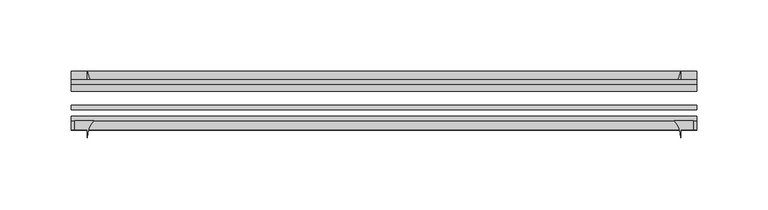
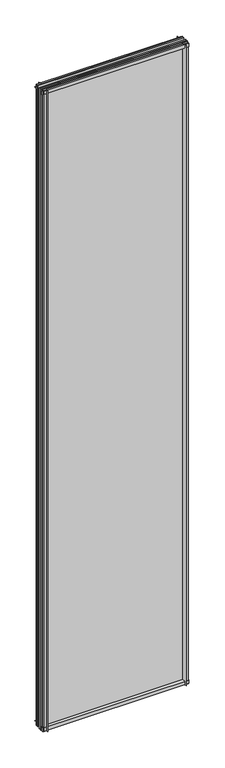
"""IFC4 building model written with IfcOpenShell, lengths in millimetres: plate geometry."""

from ifc_helpers import new_model, si_unit, point, frame, frame_2d, origin, place, context, project, spatial, polyline, circle_curve, trimmed, segment, composite_curve, outline, extrude, source, transform, mapped, element, save


def plate_eb347ce3(model_context):
    return source(origin(), model_context, "Body", "SweptSolid", [
        extrude(outline(composite_curve([segment(polyline([(-42.891075, -11.1125), (-42.891075, 3.8539528)]), True, "CONTINUOUS"), segment(trimmed(circle_curve(frame_2d((-26.637892, 29.5913262)), 30.4397495), [point((-42.891075, 3.8539528))], [point((-33.7745413, 0.0))], True, "CARTESIAN"), True, "CONTINUOUS"), segment(polyline([(-33.7745413, 0.0), (-39.690675, 0.0), (-39.690675, -11.1125), (-42.891075, -11.1125)]), True, "CONTINUOUS")], self_intersect=False)), frame((-219.075, 0.0, 0.0), z_axis=(1.0, 0.0, 0.0), x_axis=(0.0, 1.0, 0.0)), (0.0, 0.0, 1.0), 438.15),
        extrude(outline(composite_curve([segment(trimmed(circle_curve(frame_2d((-80.4922797, 17.8701603)), 18.6769817), [point((-74.641075, 0.1333891))], [point((-68.291075, 3.72943))], True, "CARTESIAN"), True, "CONTINUOUS"), segment(polyline([(-68.291075, 3.72943), (-68.291075, -10.3251), (-74.641075, -10.3251), (-74.641075, 0.1333891)]), True, "CONTINUOUS")], self_intersect=False)), frame((-219.075, 0.0, 0.0), z_axis=(1.0, 0.0, 0.0), x_axis=(0.0, 1.0, 0.0)), (0.0, 0.0, 1.0), 438.15),
        extrude(outline(composite_curve([segment(polyline([(-42.891075, 2005.9083472), (-42.891075, 2020.8875), (-39.690675, 2020.8875), (-39.690675, 2009.775), (-33.721675, 2009.775)]), True, "CONTINUOUS"), segment(trimmed(circle_curve(frame_2d((-26.637892, 1980.1709738)), 30.4397495), [point((-33.721675, 2009.775))], [point((-42.891075, 2005.9083472))], True, "CARTESIAN"), True, "CONTINUOUS")], self_intersect=False)), frame((-219.075, 0.0, 0.0), z_axis=(1.0, 0.0, 0.0), x_axis=(0.0, 1.0, 0.0)), (0.0, 0.0, 1.0), 438.15),
        extrude(outline(composite_curve([segment(polyline([(-68.291075, 2018.5126), (-68.291075, 2005.23912)]), True, "CONTINUOUS"), segment(trimmed(circle_curve(frame_2d((-80.4922797, 1991.0983897)), 18.6769817), [point((-68.291075, 2005.23912))], [point((-74.641075, 2008.8351609))], True, "CARTESIAN"), True, "CONTINUOUS"), segment(polyline([(-74.641075, 2008.8351609), (-74.641075, 2018.5126), (-68.291075, 2018.5126)]), True, "CONTINUOUS")], self_intersect=False)), frame((-219.075, 0.0, 0.0), z_axis=(1.0, 0.0, 0.0), x_axis=(0.0, 1.0, 0.0)), (0.0, 0.0, 1.0), 438.15),
        extrude(outline(composite_curve([segment(polyline([(203.42662, -68.291075), (216.7001, -68.291075), (216.7001, -74.641075), (207.9625, -74.641075), (207.9625, -80.3744844)]), True, "CONTINUOUS"), segment(trimmed(circle_curve(frame_2d((189.2858897, -80.4922797)), 18.6769817), [point((207.9625, -80.3744844))], [point((203.42662, -68.291075))], True, "CARTESIAN"), True, "CONTINUOUS")], self_intersect=False)), frame((0.0, 0.0, -11.1125), z_axis=(0.0, 0.0, 1.0), x_axis=(1.0, 0.0, 0.0)), (0.0, 0.0, 1.0), 2032.0),
        extrude(outline(composite_curve([segment(trimmed(circle_curve(frame_2d((178.3584738, -26.637892)), 30.4397495), [point((204.0958472, -42.891075))], [point((207.9625, -33.721675))], True, "CARTESIAN"), True, "CONTINUOUS"), segment(polyline([(207.9625, -33.721675), (207.9625, -39.690675), (219.075, -39.690675), (219.075, -42.891075), (204.0958472, -42.891075)]), True, "CONTINUOUS")], self_intersect=False)), frame((0.0, 0.0, -11.1125), z_axis=(0.0, 0.0, 1.0), x_axis=(1.0, 0.0, 0.0)), (0.0, 0.0, 1.0), 2032.0),
        extrude(outline(composite_curve([segment(trimmed(circle_curve(frame_2d((-189.2858897, -80.4922797)), 18.6769817), [point((-203.42662, -68.291075))], [point((-207.9625, -80.3744844))], True, "CARTESIAN"), True, "CONTINUOUS"), segment(polyline([(-207.9625, -80.3744844), (-207.9625, -74.641075), (-216.7001, -74.641075), (-216.7001, -68.291075), (-203.42662, -68.291075)]), True, "CONTINUOUS")], self_intersect=False)), frame((0.0, 0.0, -11.1125), z_axis=(0.0, 0.0, 1.0), x_axis=(1.0, 0.0, 0.0)), (0.0, 0.0, 1.0), 2032.0),
        extrude(outline(composite_curve([segment(polyline([(-204.0958472, -42.891075), (-219.075, -42.891075), (-219.075, -39.690675), (-207.9625, -39.690675), (-207.9625, -33.721675)]), True, "CONTINUOUS"), segment(trimmed(circle_curve(frame_2d((-178.3584738, -26.637892)), 30.4397495), [point((-207.9625, -33.721675))], [point((-204.0958472, -42.891075))], True, "CARTESIAN"), True, "CONTINUOUS")], self_intersect=False)), frame((0.0, 0.0, -11.1125), z_axis=(0.0, 0.0, 1.0), x_axis=(1.0, 0.0, 0.0)), (0.0, 0.0, 1.0), 2032.0),
        extrude(outline(polyline([(-219.075, -42.891075), (219.075, -42.891075), (219.075, -47.653575), (-219.075, -47.653575), (-219.075, -42.891075)])), frame((0.0, 0.0, -11.1125), z_axis=(0.0, 0.0, 1.0), x_axis=(1.0, 0.0, 0.0)), (0.0, 0.0, 1.0), 2032.0),
        extrude(outline(polyline([(219.075, -57.369075), (219.075, -60.544075), (-219.075, -60.544075), (-219.075, -57.369075), (219.075, -57.369075)])), frame((0.0, 0.0, -11.1125), z_axis=(0.0, 0.0, 1.0), x_axis=(1.0, 0.0, 0.0)), (0.0, 0.0, 1.0), 2032.0),
        extrude(outline(polyline([(-219.075, -65.116075), (219.075, -65.116075), (219.075, -68.291075), (-219.075, -68.291075), (-219.075, -65.116075)])), frame((0.0, 0.0, -11.1125), z_axis=(0.0, 0.0, 1.0), x_axis=(1.0, 0.0, 0.0)), (0.0, 0.0, 1.0), 2032.0),
    ])


if __name__ == "__main__":
    model = new_model("IFC4")
    model_context = context("Model", 3, world=origin())
    ifc_project = project(units=[si_unit("LENGTHUNIT", "METRE", prefix="MILLI")], contexts=[model_context])
    site = spatial("IfcSite", under=ifc_project)
    building = spatial("IfcBuilding", under=site)
    placement = place(None, origin())
    plate_shape = plate_eb347ce3(model_context)
    element("IfcPlate", 1, at=placement, inside=building, context=model_context, shape_type="MappedRepresentation", body=[
        mapped(plate_shape, transform((0.0, 0.0, 0.0), x_axis=(1.0, 0.0, 0.0), y_axis=(0.0, 1.0, 0.0), z_axis=(0.0, 0.0, 1.0))),
    ])
    save(model, "model.ifc")
